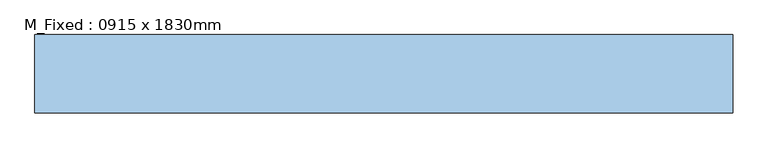
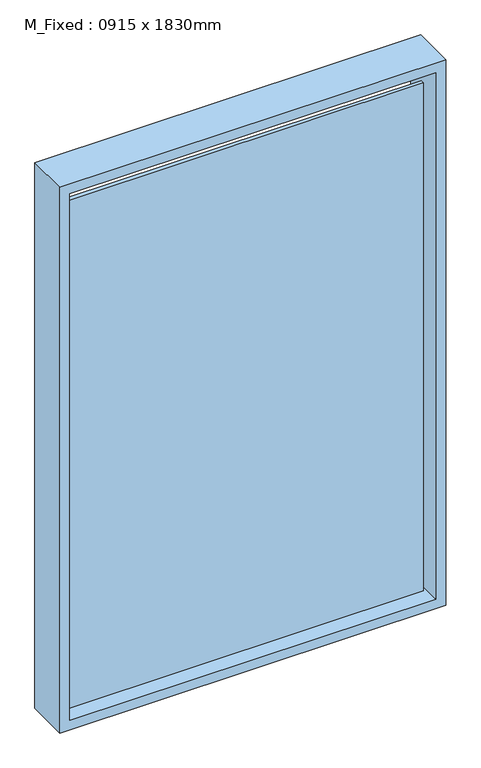
"""IFC4 building model written with IfcOpenShell, lengths in millimetres: window geometry, M_Fixed : 0915 x 1830mm."""

from ifc_helpers import new_model, si_unit, frame, origin, place, context, project, spatial, polyline, outline, extrude, source, transform, mapped, element, save


def m_fixed_0915_x_1830mm_9e0d9e4f(model_context):
    return source(origin(), model_context, "Body", "SweptSolid", [
        extrude(outline(polyline([(-734.3441477, -36.9934959), (-734.3441477, -24.9934959), (394.5, -24.9934959), (394.5, -36.9934959), (-734.3441477, -36.9934959)])), frame((0.0, 0.0, 368.0), z_axis=(0.0, 0.0, 1.0), x_axis=(1.0, 0.0, 0.0)), (0.0, 0.0, 1.0), 1704.0),
        extrude(outline(polyline([(2135.0, -766.3441477), (305.0, -766.3441477), (305.0, 457.5), (2135.0, 457.5), (2135.0, -766.3441477)]), holes=[polyline([(2103.0, -734.3441477), (2103.0, 425.5), (337.0, 425.5), (337.0, -734.3441477), (2103.0, -734.3441477)])]), frame((0.0, -50.0, 0.0), z_axis=(0.0, 1.0, 0.0), x_axis=(0.0, 0.0, 1.0)), (0.0, 0.0, 1.0), 137.0),
    ])


if __name__ == "__main__":
    model = new_model("IFC4")
    model_context = context("Model", 3, world=origin())
    ifc_project = project(units=[si_unit("LENGTHUNIT", "METRE", prefix="MILLI")], contexts=[model_context])
    site = spatial("IfcSite", under=ifc_project)
    building = spatial("IfcBuilding", under=site)
    placement = place(None, origin())
    m_fixed_0915_x_1830mm_shape = m_fixed_0915_x_1830mm_9e0d9e4f(model_context)
    element("IfcWindow", 1, ObjectType="M_Fixed : 0915 x 1830mm", at=placement, inside=building, context=model_context, shape_type="MappedRepresentation", body=[
        mapped(m_fixed_0915_x_1830mm_shape, transform((0.0, 0.0, 0.0), x_axis=(1.0, 0.0, 0.0), y_axis=(0.0, 1.0, 0.0), z_axis=(0.0, 0.0, 1.0))),
    ])
    save(model, "model.ifc")
